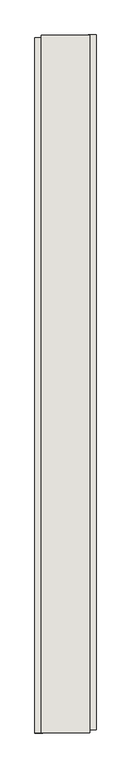
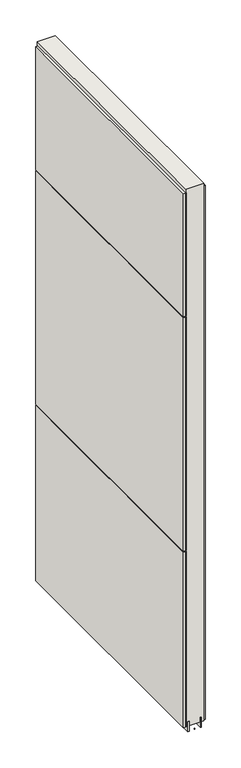
"""IFC4 building model written with IfcOpenShell, lengths in millimetres: wall geometry."""

from ifc_helpers import new_model, si_unit, frame, origin, place, context, project, spatial, polyline, outline, extrude, source, transform, mapped, element, save


def wall_6c23cb94(model_context):
    return source(origin(), model_context, "Body", "SweptSolid", [
        extrude(outline(polyline([(76405.142211, -56936.2133562), (76405.142211, -56933.6733562), (76407.682211, -56933.6733562), (76407.682211, -56936.2133562), (76405.142211, -56936.2133562)])), frame((0.0, 0.0, 4419.6), z_axis=(0.0, 0.0, 1.0), x_axis=(1.0, 0.0, 0.0)), (0.0, 0.0, 1.0), 2.54),
        extrude(outline(polyline([(76457.212211, -55777.0910745), (76457.212211, -56931.7502587), (76444.512211, -56931.7502587), (76444.512211, -55777.0910745), (76457.212211, -55777.0910745)])), frame((0.0, 0.0, 4445.0), z_axis=(0.0, 0.0, 1.0), x_axis=(1.0, 0.0, 0.0)), (0.0, 0.0, 1.0), 2545.0498756),
        extrude(outline(polyline([(76355.612211, -56936.6801701), (76355.612211, -55782.0209859), (76368.312211, -55782.0209859), (76368.312211, -56936.6801701), (76355.612211, -56936.6801701)])), frame((0.0, 0.0, 6402.8000722), z_axis=(0.0, 0.0, 1.0), x_axis=(1.0, 0.0, 0.0)), (0.0, 0.0, 1.0), 587.2498034),
        extrude(outline(polyline([(76355.612211, -56936.6801701), (76355.612211, -55782.0209859), (76368.312211, -55782.0209859), (76368.312211, -56936.6801701), (76355.612211, -56936.6801701)])), frame((0.0, 0.0, 5285.2000722), z_axis=(0.0, 0.0, 1.0), x_axis=(1.0, 0.0, 0.0)), (0.0, 0.0, 1.0), 1113.5999572),
        extrude(outline(polyline([(76355.612211, -56936.6801701), (76355.612211, -55782.0209859), (76368.312211, -55782.0209859), (76368.312211, -56936.6801701), (76355.612211, -56936.6801701)])), frame((0.0, 0.0, 4445.0), z_axis=(0.0, 0.0, 1.0), x_axis=(1.0, 0.0, 0.0)), (0.0, 0.0, 1.0), 836.200004),
        extrude(outline(polyline([(76431.4959556, -56936.2084032), (76431.4959556, -55777.5628414), (76436.574711, -55777.5628414), (76436.574711, -56936.2084032), (76431.4959556, -56936.2084032)])), frame((0.0, 0.0, 4418.6602), z_axis=(0.0, 0.0, 1.0), x_axis=(1.0, 0.0, 0.0)), (0.0, 0.0, 1.0), 47.625),
        extrude(outline(polyline([(76431.4959556, -56936.2084032), (76431.4959556, -55777.5628414), (76436.574711, -55777.5628414), (76436.574711, -56936.2084032), (76431.4959556, -56936.2084032)])), frame((0.0, 0.0, 4418.6602), z_axis=(0.0, 0.0, 1.0), x_axis=(1.0, 0.0, 0.0)), (0.0, 0.0, 1.0), 47.625),
        extrude(outline(polyline([(76381.3284664, -55777.5628414), (76381.3284664, -56936.2084032), (76376.249711, -56936.2084032), (76376.249711, -55777.5628414), (76381.3284664, -55777.5628414)])), frame((0.0, 0.0, 4418.6602), z_axis=(0.0, 0.0, 1.0), x_axis=(1.0, 0.0, 0.0)), (0.0, 0.0, 1.0), 47.625),
        extrude(outline(polyline([(76381.3284664, -55777.5628414), (76381.3284664, -56936.2084032), (76376.249711, -56936.2084032), (76376.249711, -55777.5628414), (76381.3284664, -55777.5628414)])), frame((0.0, 0.0, 4418.6602), z_axis=(0.0, 0.0, 1.0), x_axis=(1.0, 0.0, 0.0)), (0.0, 0.0, 1.0), 47.625),
        extrude(outline(polyline([(76447.0670954, -56936.2084032), (76365.7573266, -56936.2084032), (76365.7573266, -55777.5628414), (76447.0670954, -55777.5628414), (76447.0670954, -56936.2084032)])), frame((0.0, 0.0, 4445.0), z_axis=(0.0, 0.0, 1.0), x_axis=(1.0, 0.0, 0.0)), (0.0, 0.0, 1.0), 2562.4536762),
    ])


if __name__ == "__main__":
    model = new_model("IFC4")
    model_context = context("Model", 3, world=origin())
    ifc_project = project(units=[si_unit("LENGTHUNIT", "METRE", prefix="MILLI")], contexts=[model_context])
    site = spatial("IfcSite", under=ifc_project)
    building = spatial("IfcBuilding", under=site)
    placement = place(None, origin())
    wall_shape = wall_6c23cb94(model_context)
    element("IfcWall", 1, at=placement, inside=building, context=model_context, shape_type="MappedRepresentation", body=[
        mapped(wall_shape, transform((0.0, 0.0, 0.0), x_axis=(1.0, 0.0, 0.0), y_axis=(0.0, 1.0, 0.0), z_axis=(0.0, 0.0, 1.0))),
    ])
    save(model, "model.ifc")
